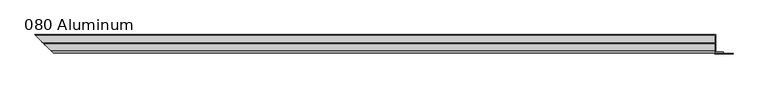
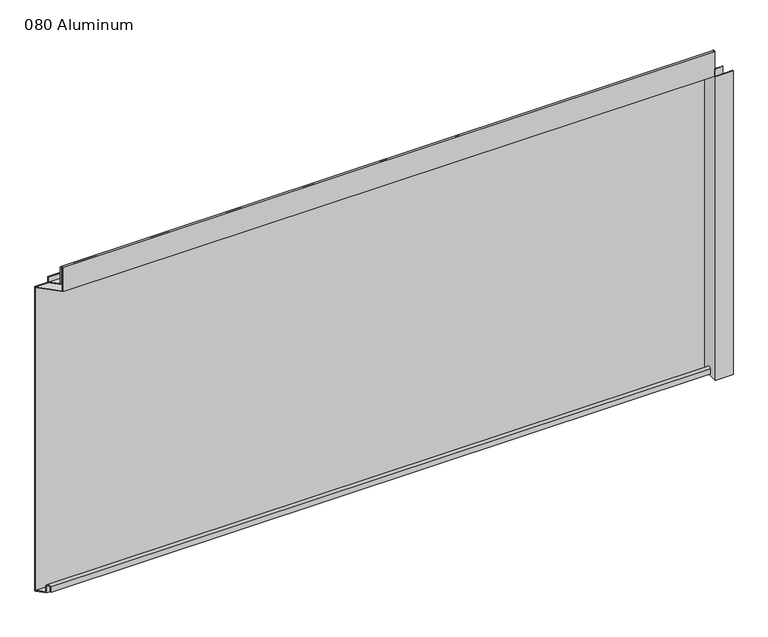
"""IFC4 building model written with IfcOpenShell, lengths in millimetres: plate geometry, 080 Aluminum."""

import ifcopenshell
import ifcopenshell.guid

model = None  # the IFC model being written
_history = None  # IfcOwnerHistory: only IFC2X3 demands one
_inside = {}  # id of a spatial element -> (the spatial element, [elements in it])
_under = {}  # id of a project, library or spatial element -> (it, [spatial elements below it])
_declared = {}  # id of a project -> (the project, [libraries it declares])
_typed = {}  # id of a type object -> (the type object, [elements of that type])
_made_of = {}  # id of a material, layer set ... -> (it, [elements and type objects made of it])


def new_model(schema):
    """Start an empty IFC model of exactly this schema.

    Asked for "IFC4X3", IfcOpenShell would pick the latest addendum, in which some entities
    have other attributes; the version numbers below select the first issue.
    IFC2X3 requires an IfcOwnerHistory on every rooted entity: one is made here for all.
    """
    global model, _history
    if schema == "IFC4X3":
        model = ifcopenshell.file(schema_version=(4, 3, 0, 0))
    else:
        model = ifcopenshell.file(schema=schema)
    _inside.clear()
    _under.clear()
    _declared.clear()
    _typed.clear()
    _made_of.clear()
    _history = None
    if model.schema == "IFC2X3":
        org = make("IfcOrganization", Name="unknown")
        user = make(
            "IfcPersonAndOrganization",
            ThePerson=make("IfcPerson", FamilyName="unknown"),
            TheOrganization=org,
        )
        app = make(
            "IfcApplication",
            ApplicationDeveloper=org,
            Version="unknown",
            ApplicationFullName="unknown",
            ApplicationIdentifier="unknown",
        )
        _history = make(
            "IfcOwnerHistory",
            OwningUser=user,
            OwningApplication=app,
            ChangeAction="ADDED",
            CreationDate=0,
        )
    return model


def make(cls, **values):
    """One entity of the class cls with the attributes given. An attribute that is None is left unset."""
    return model.create_entity(
        cls, **{name: value for name, value in values.items() if value is not None}
    )


def rooted(cls, **values):
    """An entity with a GlobalId (a new one), such as an element, a storey or a relation."""
    return make(cls, GlobalId=ifcopenshell.guid.new(), OwnerHistory=_history, **values)


def si_unit(unit_type, name, prefix=None):
    """IfcSIUnit, for example si_unit("LENGTHUNIT", "METRE", prefix="MILLI")."""
    return make("IfcSIUnit", UnitType=unit_type, Prefix=prefix, Name=name)


def assignment(units):
    """IfcUnitAssignment: the units of a project."""
    return None if units is None else make("IfcUnitAssignment", Units=units)


def point(xyz):
    """IfcCartesianPoint."""
    return None if xyz is None else make("IfcCartesianPoint", Coordinates=xyz)


def direction(xyz):
    """IfcDirection."""
    return None if xyz is None else make("IfcDirection", DirectionRatios=xyz)


def frame(location, z_axis=None, x_axis=None):
    """IfcAxis2Placement3D, a coordinate frame: its origin and axes. An axis left out is left unset."""
    return make(
        "IfcAxis2Placement3D",
        Location=point(location),
        Axis=direction(z_axis),
        RefDirection=direction(x_axis),
    )


def origin():
    """The frame at (0, 0, 0) with its axes left unset."""
    return frame((0.0, 0.0, 0.0))


def origin_with_axes():
    """The frame at (0, 0, 0) with the z axis (0, 0, 1) and the x axis (1, 0, 0) written out."""
    return frame((0.0, 0.0, 0.0), z_axis=(0.0, 0.0, 1.0), x_axis=(1.0, 0.0, 0.0))


def place(relative_to, where):
    """IfcLocalPlacement: puts the frame where relative to a parent placement (None: the world)."""
    return make(
        "IfcLocalPlacement", PlacementRelTo=relative_to, RelativePlacement=where
    )


def context(
    kind, dimensions, precision=None, world=None, true_north=None, identifier=None
):
    """IfcGeometricRepresentationContext, for example the 3D "Model" context."""
    return make(
        "IfcGeometricRepresentationContext",
        ContextIdentifier=identifier,
        ContextType=kind,
        CoordinateSpaceDimension=dimensions,
        Precision=precision,
        WorldCoordinateSystem=world,
        TrueNorth=true_north,
    )


def project(units=None, contexts=None):
    """IfcProject with its units and contexts."""
    return rooted(
        "IfcProject",
        Name="project",
        RepresentationContexts=contexts,
        UnitsInContext=assignment(units),
    )


def spatial(cls, under=None, at=None, **own):
    """A site, building, storey or space (cls), placed at a placement, below another one or the project."""
    s = rooted(cls, ObjectPlacement=at, **own)
    if under is not None:
        _under.setdefault(under.id(), (under, []))[1].append(s)
    return s


def polyline(points):
    """IfcPolyline through the points."""
    return make("IfcPolyline", Points=[point(p) for p in points])


def circle_curve(where, radius):
    """IfcCircle in the frame where."""
    return make("IfcCircle", Position=where, Radius=radius)


def ellipse_curve(where, semi_axis1, semi_axis2):
    """IfcEllipse in the frame where."""
    return make(
        "IfcEllipse", Position=where, SemiAxis1=semi_axis1, SemiAxis2=semi_axis2
    )


def outline(outer, holes=None, kind="AREA"):
    """IfcArbitraryClosedProfileDef: a profile drawn as a closed curve; with holes, ...WithVoids."""
    if holes is None:
        return make("IfcArbitraryClosedProfileDef", ProfileType=kind, OuterCurve=outer)
    return make(
        "IfcArbitraryProfileDefWithVoids",
        ProfileType=kind,
        OuterCurve=outer,
        InnerCurves=holes,
    )


def extrude(swept, where, along, depth):
    """IfcExtrudedAreaSolid: the profile swept, set in the frame where, extruded along a direction by depth."""
    return make(
        "IfcExtrudedAreaSolid",
        SweptArea=swept,
        Position=where,
        ExtrudedDirection=direction(along),
        Depth=depth,
    )


def shape(context_of_items, identifier, shape_type, items):
    """IfcShapeRepresentation: the items that make up one representation, for example the "Body"."""
    return make(
        "IfcShapeRepresentation",
        ContextOfItems=context_of_items,
        RepresentationIdentifier=identifier,
        RepresentationType=shape_type,
        Items=items,
    )


def source(mapping_origin, context_of_items, identifier, shape_type, items):
    """IfcRepresentationMap: a shape defined once, which mapped items show again and again."""
    return make(
        "IfcRepresentationMap",
        MappingOrigin=mapping_origin,
        MappedRepresentation=shape(context_of_items, identifier, shape_type, items),
    )


def transform(
    local_origin,
    x_axis=None,
    y_axis=None,
    z_axis=None,
    scale=None,
    scale2=None,
    scale3=None,
    uniform=True,
):
    """IfcCartesianTransformationOperator3D, or its non-uniform kind. x_axis, y_axis, z_axis: its Axis1, 2, 3."""
    if uniform:
        return make(
            "IfcCartesianTransformationOperator3D",
            Axis1=direction(x_axis),
            Axis2=direction(y_axis),
            LocalOrigin=point(local_origin),
            Scale=scale,
            Axis3=direction(z_axis),
        )
    return make(
        "IfcCartesianTransformationOperator3DnonUniform",
        Axis1=direction(x_axis),
        Axis2=direction(y_axis),
        LocalOrigin=point(local_origin),
        Scale=scale,
        Axis3=direction(z_axis),
        Scale2=scale2,
        Scale3=scale3,
    )


def mapped(mapping_source, mapping_target):
    """IfcMappedItem: shows the shape of a source again, moved by a transform."""
    return make(
        "IfcMappedItem", MappingSource=mapping_source, MappingTarget=mapping_target
    )


def made_of(thing, what):
    """Note that an element or type object is made of a material, layer set ...; save() writes the relation."""
    if what is not None:
        _made_of.setdefault(what.id(), (what, []))[1].append(thing)
    return thing


def element(
    cls,
    number,
    at=None,
    inside=None,
    cuts=None,
    type_object=None,
    material=None,
    context=None,
    identifier="Body",
    shape_type=None,
    held_by="IfcProductDefinitionShape",
    body=None,
    shapes=None,
    **own,
):
    """One element of the class cls, such as IfcWall. Its Tag is "e" and its number.

    at: its placement. inside: the storey or other place that contains it. cuts: it is an
    opening in that element (IfcRelVoidsElement). A single representation is given by context,
    identifier, shape_type and body (its items); several are given by shapes. held_by: the class
    of the entity that holds the representations. save() writes the other relations.
    """
    e = rooted(cls, Tag="e%d" % number, ObjectPlacement=at, **own)
    if body is not None:
        shapes = [shape(context, identifier, shape_type, body)]
    if shapes is not None:
        e.Representation = make(held_by, Representations=shapes)
    if inside is not None:
        _inside.setdefault(inside.id(), (inside, []))[1].append(e)
    if cuts is not None:
        rooted(
            "IfcRelVoidsElement", RelatingBuildingElement=cuts, RelatedOpeningElement=e
        )
    if type_object is not None:
        _typed.setdefault(type_object.id(), (type_object, []))[1].append(e)
    return made_of(e, material)


def aggregate(whole, parts):
    """IfcRelAggregates: a whole, such as a stair, and the parts it consists of."""
    return rooted("IfcRelAggregates", RelatingObject=whole, RelatedObjects=parts)


def save(model, path):
    """Write the relations noted so far, then the file.

    IfcRelAggregates (storeys below a building ...), IfcRelContainedInSpatialStructure (elements
    in a storey), IfcRelDefinesByType, IfcRelAssociatesMaterial and IfcRelDeclares: one each for
    every whole, place, type object, material and project.
    """
    for whole, parts in _under.values():
        aggregate(whole, parts)
    for where, things in _inside.values():
        rooted(
            "IfcRelContainedInSpatialStructure",
            RelatedElements=things,
            RelatingStructure=where,
        )
    for kind, things in _typed.values():
        rooted("IfcRelDefinesByType", RelatedObjects=things, RelatingType=kind)
    for what, things in _made_of.values():
        rooted("IfcRelAssociatesMaterial", RelatedObjects=things, RelatingMaterial=what)
    for by, libraries in _declared.values():
        rooted("IfcRelDeclares", RelatingContext=by, RelatedDefinitions=libraries)
    model.write(path)


def plane_surface(at):
    """IfcPlane: the flat surface through the origin of the frame at, square to its z axis."""
    return make("IfcPlane", Position=at)


def cylinder_surface(at, radius):
    """IfcCylindricalSurface: all points at the distance radius from the z axis of the frame at."""
    return make("IfcCylindricalSurface", Position=at, Radius=radius)


def revolved_surface(curve, axis_point, axis_direction):
    """IfcSurfaceOfRevolution: the curve turned about the line through axis_point along axis_direction."""
    return make(
        "IfcSurfaceOfRevolution",
        SweptCurve=make("IfcArbitraryOpenProfileDef", ProfileType="CURVE", Curve=curve),
        AxisPosition=make("IfcAxis1Placement", Location=point(axis_point), Axis=direction(axis_direction)),
    )


def advanced_brep(points, edges, surfaces, faces):
    """IfcAdvancedBrep: a solid bounded by faces that lie on surfaces and meet in shared edges.

    An edge is (start, end): straight between two places in points (the first is 0);
    or (start, end, curve); or (start, end, curve, False) where it runs against its curve.
    A face is (place in surfaces, loops), or (place, loops, False) where it looks against
    its surface's normal. A loop lists edges by number (the first is 1), with a minus sign
    where the edge is run from its end to its start. The first loop is the outer one.
    """
    corners = [point(p) for p in points]
    vertices = [make("IfcVertexPoint", VertexGeometry=c) for c in corners]
    made = []
    for start, end, *more in edges:
        made.append(
            make(
                "IfcEdgeCurve",
                EdgeStart=vertices[start],
                EdgeEnd=vertices[end],
                EdgeGeometry=more[0] if more else make("IfcPolyline", Points=[corners[start], corners[end]]),
                SameSense=more[1] if len(more) > 1 else True,
            )
        )
    hull = []
    for where, loops, *sense in faces:
        bounds = []
        for j, loop in enumerate(loops):
            ring = [make("IfcOrientedEdge", EdgeElement=made[abs(k) - 1], Orientation=k > 0) for k in loop]
            bounds.append(
                make(
                    "IfcFaceOuterBound" if j == 0 else "IfcFaceBound",
                    Bound=make("IfcEdgeLoop", EdgeList=ring),
                    Orientation=True,
                )
            )
        hull.append(make("IfcAdvancedFace", Bounds=bounds, FaceSurface=surfaces[where], SameSense=sense[0] if sense else True))
    return make("IfcAdvancedBrep", Outer=make("IfcClosedShell", CfsFaces=hull))


def plate_080_aluminum_7819254c(model_context):
    return source(origin(), model_context, "Body", "SolidModel", [
        advanced_brep(
        [(608.6348, 16.6765477, 13.1458337), (608.6348, 16.6765477, 2.786437), (608.6348, 17.9464915, 2.786437), (608.6348, 17.9464915, 13.1323356), (608.6348, 21.7564743, 13.124237), (608.6348, 21.7564743, 0.0), (608.6348, 34.7980002, 0.0), (608.6348, 34.7980002, 1.2693678), (608.6348, 23.0264743, 1.2693678), (608.6348, 23.0264743, 13.124237), (-639.2813477, 16.6765477, 13.1458337), (-639.2813477, 16.6765477, 2.786437), (-640.5512915, 17.9464915, 2.786437), (-640.5512915, 17.9464915, 13.1323356), (-644.3612743, 21.7564743, 13.124237), (-644.3612743, 21.7564743, 0.0), (-657.4028, 34.798, 0.0), (-657.4028002, 34.7980002, 1.2693678), (-645.6312743, 23.0264743, 1.2693678), (-645.6312743, 23.0264743, 13.124237)],
        [
            (0, 1),
            (1, 2),
            (2, 3),
            (3, 4, circle_curve(frame((608.6348, 19.8514743, 13.124237), z_axis=(-1.0, 0.0, 0.0), x_axis=(0.0, 0.0, -1.0)), 1.905)),
            (4, 5),
            (5, 6),
            (6, 7),
            (7, 8),
            (8, 9),
            (9, 0, circle_curve(frame((608.6348, 19.8514743, 13.124237), z_axis=(1.0, 0.0, 0.0), x_axis=(0.0, 0.0, -1.0)), 3.175)),
            (0, 10),
            (10, 11),
            (11, 1),
            (11, 12),
            (12, 2),
            (12, 13),
            (13, 3),
            (13, 14, ellipse_curve(frame((-642.4562743, 19.8514743, 13.124237), z_axis=(-0.7071067811865468, -0.7071067811865483, 0.0), x_axis=(0.7071067811865482, -0.7071067811865468, 0.0)), 2.6940768, 1.905)),
            (14, 4),
            (14, 15),
            (15, 5),
            (15, 16),
            (16, 6),
            (16, 17),
            (17, 7),
            (17, 18),
            (18, 8),
            (18, 19),
            (19, 9),
            (19, 10, ellipse_curve(frame((-642.4562743, 19.8514743, 13.124237), z_axis=(0.7071067811865468, 0.7071067811865483, 0.0), x_axis=(-0.7071067811865482, 0.7071067811865468, 0.0)), 4.4901281, 3.175)),
        ],
        [
            plane_surface(frame((608.6348, 36.068, 0.0), z_axis=(1.0, 0.0, 0.0), x_axis=(0.0, 0.0, 1.0))),
            plane_surface(frame((-657.4028, 16.6765477, 13.1458337), z_axis=(0.0, -1.0, 0.0), x_axis=(1.0, 0.0, 0.0))),
            plane_surface(frame((-657.4028, 16.6765477, 2.786437), z_axis=(0.0, 0.0, -1.0), x_axis=(1.0, 0.0, 0.0))),
            plane_surface(frame((-657.4028, 17.9464915, 2.786437), z_axis=(0.0, 1.0, 0.0), x_axis=(1.0, 0.0, 0.0))),
            revolved_surface(polyline([(608.6348000000002, 19.8514743, 11.219237000000001), (-644.3612743, 19.8514743, 11.219237000000001)]), (-657.4028, 19.8514743, 13.124237), (1.0, 0.0, 0.0)),
            plane_surface(frame((-657.4028, 21.7564743, 13.124237), z_axis=(0.0, -1.0, 0.0), x_axis=(1.0, 0.0, 0.0))),
            plane_surface(frame((-657.4028, 21.7564743, 0.0), z_axis=(0.0, 0.0, -1.0), x_axis=(1.0, 0.0, 0.0))),
            plane_surface(frame((-657.4028, 34.7980002, 0.0), z_axis=(0.0, 1.0, 0.0), x_axis=(1.0, 0.0, 0.0))),
            plane_surface(frame((-657.4028, 34.7980002, 1.2693678), z_axis=(0.0, 0.0, 1.0), x_axis=(1.0, 0.0, 0.0))),
            plane_surface(frame((-657.4028, 23.0264743, 1.2693678), z_axis=(0.0, 1.0, 0.0), x_axis=(1.0, 0.0, 0.0))),
            cylinder_surface(frame((-657.4028, 19.8514743, 13.124237), z_axis=(-1.0, 0.0, 0.0), x_axis=(0.0, 0.0, -1.0)), 3.175),
            plane_surface(frame((-658.6728, 36.068, 795.4549971), z_axis=(-0.7071067811865468, -0.7071067811865483, 0.0), x_axis=(0.0, 0.0, -1.0))),
        ],
        [
            (0, [[1, 2, 3, 4, 5, 6, 7, 8, 9, 10]]),
            (1, [[11, 12, 13, -1]]),
            (2, [[-13, 14, 15, -2]]),
            (3, [[-15, 16, 17, -3]]),
            (4, [[-17, 18, 19, -4]]),
            (5, [[-19, 20, 21, -5]]),
            (6, [[-21, 22, 23, -6]]),
            (7, [[-23, 24, 25, -7]]),
            (8, [[-25, 26, 27, -8]]),
            (9, [[-27, 28, 29, -9]]),
            (10, [[-29, 30, -11, -10]]),
            (11, [[-30, -28, -26, -24, -22, -20, -18, -16, -14, -12]]),
        ],
    ),
        advanced_brep(
        [(608.6348, 2.0574743, 656.7932001), (608.6348, 2.0574743, 608.33), (608.6348, 34.7980002, 608.33), (608.6348, 34.7980002, 609.6000001), (608.6348, 3.3274743, 609.6000001), (608.6348, 3.3274743, 656.7932001), (608.6348, 4.0894742, 656.7932001), (608.6348, 4.0894742, 622.3), (608.6348, 20.4864742, 622.3), (608.6348, 20.4864742, 633.6538), (608.6348, 19.2164743, 633.6538), (608.6348, 19.2164743, 623.57), (608.6348, 5.3594742, 623.57), (608.6348, 5.3594742, 656.7932001), (-624.6622743, 2.0574743, 656.7932001), (-624.6622743, 2.0574743, 608.33), (-657.4028, 34.798, 608.33), (-657.4028002, 34.7980002, 609.6000001), (-625.9322743, 3.3274743, 609.6000001), (-625.9322743, 3.3274743, 656.7932001), (-626.6942742, 4.0894742, 656.7932001), (-626.6942742, 4.0894742, 622.3), (-643.0912742, 20.4864742, 622.3), (-643.0912742, 20.4864742, 633.6538), (-641.8212743, 19.2164743, 633.6538), (-641.8212743, 19.2164743, 623.57), (-627.9642742, 5.3594742, 623.57), (-627.9642742, 5.3594742, 656.7932001)],
        [
            (0, 1),
            (1, 2),
            (2, 3),
            (3, 4),
            (4, 5),
            (5, 6, circle_curve(frame((608.6348, 3.7084742, 656.7932001), z_axis=(-1.0, 0.0, 0.0), x_axis=(0.0, 0.0, -1.0)), 0.3809999)),
            (6, 7),
            (7, 8),
            (8, 9),
            (9, 10),
            (10, 11),
            (11, 12),
            (12, 13),
            (13, 0, circle_curve(frame((608.6348, 3.7084742, 656.7932001), z_axis=(1.0, 0.0, 0.0), x_axis=(0.0, 0.0, -1.0)), 1.6509999)),
            (0, 14),
            (14, 15),
            (15, 1),
            (15, 16),
            (16, 2),
            (16, 17),
            (17, 3),
            (17, 18),
            (18, 4),
            (18, 19),
            (19, 5),
            (19, 20, ellipse_curve(frame((-626.3132742, 3.7084742, 656.7932001), z_axis=(-0.7071067811865468, -0.7071067811865483, 0.0), x_axis=(0.7071067811865482, -0.7071067811865468, 0.0)), 0.5388153, 0.3809999)),
            (20, 6),
            (20, 21),
            (21, 7),
            (21, 22),
            (22, 8),
            (22, 23),
            (23, 9),
            (23, 24),
            (24, 10),
            (24, 25),
            (25, 11),
            (25, 26),
            (26, 12),
            (26, 27),
            (27, 13),
            (27, 14, ellipse_curve(frame((-626.3132742, 3.7084742, 656.7932001), z_axis=(0.7071067811865468, 0.7071067811865483, 0.0), x_axis=(-0.7071067811865482, 0.7071067811865468, 0.0)), 2.3348665, 1.6509999)),
        ],
        [
            plane_surface(frame((608.6348, 36.068, 609.6), z_axis=(1.0, 0.0, 0.0), x_axis=(0.0, 0.0, 1.0))),
            plane_surface(frame((-657.4028, 2.0574743, 656.7932001), z_axis=(0.0, -1.0, 0.0), x_axis=(1.0, 0.0, 0.0))),
            plane_surface(frame((-657.4028, 2.0574743, 608.33), z_axis=(0.0, 0.0, -1.0), x_axis=(1.0, 0.0, 0.0))),
            plane_surface(frame((-657.4028, 34.7980002, 608.33), z_axis=(0.0, 1.0, 0.0), x_axis=(1.0, 0.0, 0.0))),
            plane_surface(frame((-657.4028, 34.7980002, 609.6000001), z_axis=(0.0, 0.0, 1.0), x_axis=(1.0, 0.0, 0.0))),
            plane_surface(frame((-657.4028, 3.3274743, 609.6000001), z_axis=(0.0, 1.0, 0.0), x_axis=(1.0, 0.0, 0.0))),
            revolved_surface(polyline([(608.6348000000002, 3.7084742, 656.4122002), (-626.6942742, 3.7084742, 656.4122002)]), (-657.4028, 3.7084742, 656.7932001), (1.0, 0.0, 0.0)),
            plane_surface(frame((-657.4028, 4.0894742, 656.7932001), z_axis=(0.0, -1.0, 0.0), x_axis=(1.0, 0.0, 0.0))),
            plane_surface(frame((-657.4028, 4.0894742, 622.3), z_axis=(0.0, 0.0, -1.0), x_axis=(1.0, 0.0, 0.0))),
            plane_surface(frame((-657.4028, 20.4864742, 622.3), z_axis=(0.0, 1.0, 0.0), x_axis=(1.0, 0.0, 0.0))),
            plane_surface(frame((-657.4028, 20.4864742, 633.6538), z_axis=(0.0, 0.0, 1.0), x_axis=(1.0, 0.0, 0.0))),
            plane_surface(frame((-657.4028, 19.2164743, 633.6538), z_axis=(0.0, -1.0, 0.0), x_axis=(1.0, 0.0, 0.0))),
            plane_surface(frame((-657.4028, 19.2164743, 623.57), z_axis=(0.0, 0.0, 1.0), x_axis=(1.0, 0.0, 0.0))),
            plane_surface(frame((-657.4028, 5.3594742, 623.57), z_axis=(0.0, 1.0, 0.0), x_axis=(1.0, 0.0, 0.0))),
            cylinder_surface(frame((-657.4028, 3.7084742, 656.7932001), z_axis=(-1.0, 0.0, 0.0), x_axis=(0.0, 0.0, -1.0)), 1.6509999),
            plane_surface(frame((-658.6728, 36.068, 795.4549971), z_axis=(-0.7071067811865468, -0.7071067811865483, 0.0), x_axis=(0.0, 0.0, -1.0))),
        ],
        [
            (0, [[1, 2, 3, 4, 5, 6, 7, 8, 9, 10, 11, 12, 13, 14]]),
            (1, [[15, 16, 17, -1]]),
            (2, [[-17, 18, 19, -2]]),
            (3, [[-19, 20, 21, -3]]),
            (4, [[-21, 22, 23, -4]]),
            (5, [[-23, 24, 25, -5]]),
            (6, [[-25, 26, 27, -6]]),
            (7, [[-27, 28, 29, -7]]),
            (8, [[-29, 30, 31, -8]]),
            (9, [[-31, 32, 33, -9]]),
            (10, [[-33, 34, 35, -10]]),
            (11, [[-35, 36, 37, -11]]),
            (12, [[-37, 38, 39, -12]]),
            (13, [[-39, 40, 41, -13]]),
            (14, [[-41, 42, -15, -14]]),
            (15, [[-42, -40, -38, -36, -34, -32, -30, -28, -26, -24, -22, -20, -18, -16]]),
        ],
    ),
        extrude(outline(polyline([(609.9048, 34.7980001), (-657.4028001, 34.7980001), (-658.6728, 36.068), (609.9048, 36.068), (609.9048, 34.7980001)])), origin_with_axes(), (0.0, 0.0, 1.0), 609.6),
        extrude(outline(polyline([(609.9048, 1.2699999), (642.4168856, 1.2699999), (642.4168856, 0.0), (608.6348001, 0.0), (608.6348001, 34.7980002), (609.9048, 34.7980002), (609.9048, 1.2699999)])), origin_with_axes(), (0.0, 0.0, 1.0), 608.33),
        extrude(outline(polyline([(608.6348, 3.3274743), (624.3827999, 3.3274743), (624.3827999, 2.0574743), (608.6348, 2.0574743), (608.6348, 3.3274743)])), origin_with_axes(), (0.0, 0.0, 1.0), 622.3),
    ])


if __name__ == "__main__":
    model = new_model("IFC4")
    model_context = context("Model", 3, world=origin())
    ifc_project = project(units=[si_unit("LENGTHUNIT", "METRE", prefix="MILLI")], contexts=[model_context])
    site = spatial("IfcSite", under=ifc_project)
    building = spatial("IfcBuilding", under=site)
    placement = place(None, origin())
    plate_080_aluminum_shape = plate_080_aluminum_7819254c(model_context)
    element("IfcPlate", 1, ObjectType="080 Aluminum", at=placement, inside=building, context=model_context, shape_type="MappedRepresentation", body=[
        mapped(plate_080_aluminum_shape, transform((0.0, 0.0, 0.0), x_axis=(1.0, 0.0, 0.0), y_axis=(0.0, 1.0, 0.0), z_axis=(0.0, 0.0, 1.0))),
    ])
    save(model, "model.ifc")
